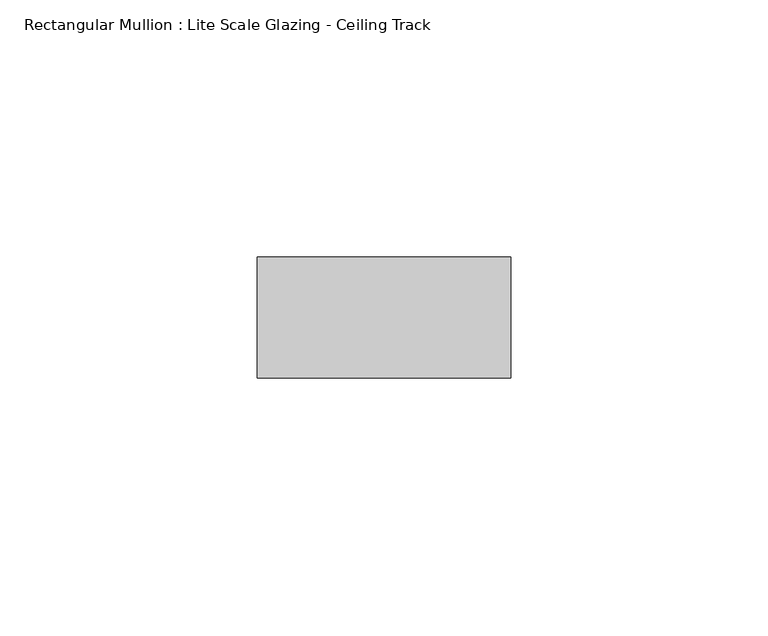
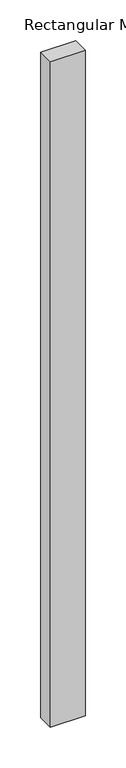
"""IFC4 building model written with IfcOpenShell, lengths in millimetres: member geometry, Rectangular Mullion : Lite Scale Glazing - Ceiling Track."""

from ifc_helpers import new_model, si_unit, frame, origin, place, context, project, spatial, polyline, outline, extrude, source, transform, mapped, element, save


def rectangular_mullion_lite_scale_glazing_ceiling_track_b5cfcdd2(model_context):
    return source(origin(), model_context, "Body", "SweptSolid", [
        extrude(outline(polyline([(-49.276, -11.7474999), (-49.276, 11.7474999), (0.0, 11.7474999), (0.0, -11.7474999), (-49.276, -11.7474999)])), frame((0.0, 0.0, -996.95), z_axis=(0.0, 0.0, 1.0), x_axis=(1.0, 0.0, 0.0)), (0.0, 0.0, 1.0), 996.95),
    ])


if __name__ == "__main__":
    model = new_model("IFC4")
    model_context = context("Model", 3, world=origin())
    ifc_project = project(units=[si_unit("LENGTHUNIT", "METRE", prefix="MILLI")], contexts=[model_context])
    site = spatial("IfcSite", under=ifc_project)
    building = spatial("IfcBuilding", under=site)
    placement = place(None, origin())
    rectangular_mullion_lite_scale_glazing_ceiling_track_shape = rectangular_mullion_lite_scale_glazing_ceiling_track_b5cfcdd2(model_context)
    element("IfcMember", 1, ObjectType="Rectangular Mullion : Lite Scale Glazing - Ceiling Track", at=placement, inside=building, context=model_context, shape_type="MappedRepresentation", body=[
        mapped(rectangular_mullion_lite_scale_glazing_ceiling_track_shape, transform((0.0, 0.0, 0.0), x_axis=(1.0, 0.0, 0.0), y_axis=(0.0, 1.0, 0.0), z_axis=(0.0, 0.0, 1.0))),
    ])
    save(model, "model.ifc")
